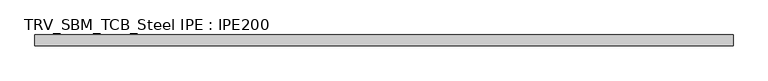
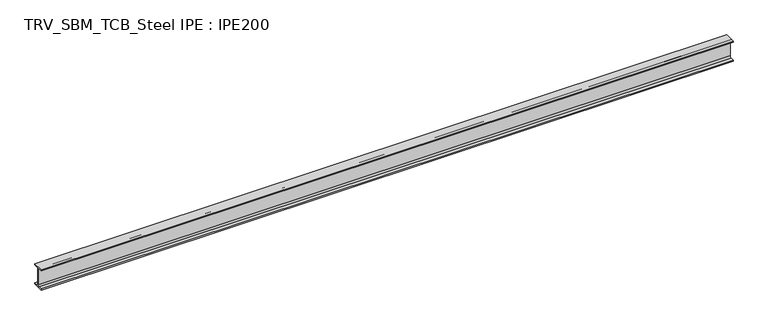
"""IFC4 building model written with IfcOpenShell, lengths in millimetres: beam geometry, TRV_SBM_TCB_Steel IPE : IPE200."""

from ifc_helpers import new_model, si_unit, point, frame, frame_2d, origin, place, context, project, spatial, polyline, circle_curve, trimmed, segment, composite_curve, outline, extrude, source, transform, mapped, element, save


def trv_sbm_tcb_steel_ipe_ipe200_b18f8dd5(model_context):
    return source(origin(), model_context, "Body", "SweptSolid", [
        extrude(outline(composite_curve([segment(polyline([(-50.0, -89.3), (-18.55, -89.3)]), True, "CONTINUOUS"), segment(trimmed(circle_curve(frame_2d((-18.55, -74.3)), 15.0), [point((-18.55, -89.3))], [point((-3.55, -74.3))], True, "CARTESIAN"), True, "CONTINUOUS"), segment(polyline([(-3.55, -74.3), (-3.55, 74.3)]), True, "CONTINUOUS"), segment(trimmed(circle_curve(frame_2d((-18.55, 74.3)), 15.0), [point((-3.55, 74.3))], [point((-18.55, 89.3))], True, "CARTESIAN"), True, "CONTINUOUS"), segment(polyline([(-18.55, 89.3), (-50.0, 89.3), (-50.0, 100.0), (50.0, 100.0), (50.0, 89.3), (18.55, 89.3)]), True, "CONTINUOUS"), segment(trimmed(circle_curve(frame_2d((18.55, 74.3)), 15.0), [point((18.55, 89.3))], [point((3.55, 74.3))], True, "CARTESIAN"), True, "CONTINUOUS"), segment(polyline([(3.55, 74.3), (3.55, -74.3)]), True, "CONTINUOUS"), segment(trimmed(circle_curve(frame_2d((18.55, -74.3)), 15.0), [point((3.55, -74.3))], [point((18.55, -89.3))], True, "CARTESIAN"), True, "CONTINUOUS"), segment(polyline([(18.55, -89.3), (50.0, -89.3), (50.0, -100.0), (-50.0, -100.0), (-50.0, -89.3)]), True, "CONTINUOUS")], self_intersect=False)), frame((-3196.5, 0.0, 0.0), z_axis=(1.0, 0.0, 0.0), x_axis=(0.0, 1.0, 0.0)), (0.0, 0.0, 1.0), 6453.0),
    ])


if __name__ == "__main__":
    model = new_model("IFC4")
    model_context = context("Model", 3, world=origin())
    ifc_project = project(units=[si_unit("LENGTHUNIT", "METRE", prefix="MILLI")], contexts=[model_context])
    site = spatial("IfcSite", under=ifc_project)
    building = spatial("IfcBuilding", under=site)
    placement = place(None, origin())
    trv_sbm_tcb_steel_ipe_ipe200_shape = trv_sbm_tcb_steel_ipe_ipe200_b18f8dd5(model_context)
    element("IfcBeam", 1, ObjectType="TRV_SBM_TCB_Steel IPE : IPE200", at=placement, inside=building, context=model_context, shape_type="MappedRepresentation", body=[
        mapped(trv_sbm_tcb_steel_ipe_ipe200_shape, transform((0.0, 0.0, 0.0), x_axis=(1.0, 0.0, 0.0), y_axis=(0.0, 1.0, 0.0), z_axis=(0.0, 0.0, 1.0))),
    ])
    save(model, "model.ifc")
